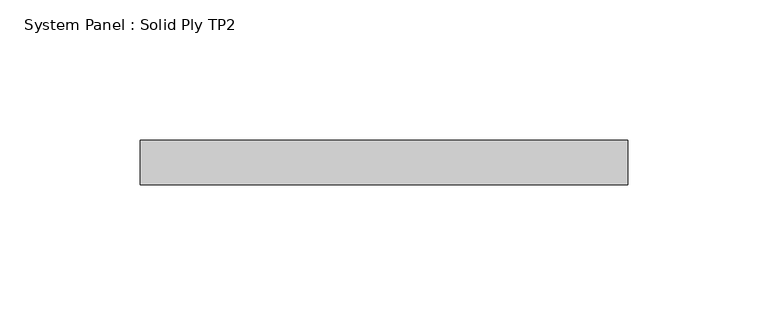
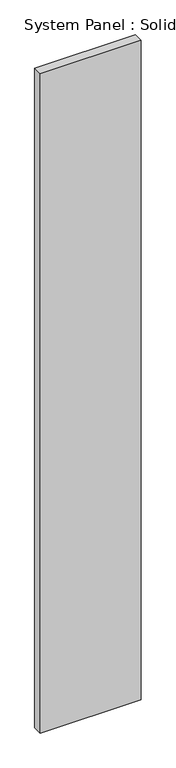
"""IFC4 building model written with IfcOpenShell, lengths in millimetres: plate geometry, System Panel : Solid Ply TP2."""

from ifc_helpers import new_model, si_unit, origin, origin_with_axes, place, context, project, spatial, polyline, outline, extrude, source, transform, mapped, element, save


def system_panel_solid_ply_tp2_f55d82e8(model_context):
    return source(origin(), model_context, "Body", "SweptSolid", [
        extrude(outline(polyline([(86.9948181, 7.0), (-86.9948181, 7.0), (-86.9948181, 23.0), (86.9948181, 23.0), (86.9948181, 7.0)])), origin_with_axes(), (0.0, 0.0, 1.0), 1200.0),
    ])


if __name__ == "__main__":
    model = new_model("IFC4")
    model_context = context("Model", 3, world=origin())
    ifc_project = project(units=[si_unit("LENGTHUNIT", "METRE", prefix="MILLI")], contexts=[model_context])
    site = spatial("IfcSite", under=ifc_project)
    building = spatial("IfcBuilding", under=site)
    placement = place(None, origin())
    system_panel_solid_ply_tp2_shape = system_panel_solid_ply_tp2_f55d82e8(model_context)
    element("IfcPlate", 1, ObjectType="System Panel : Solid Ply TP2", at=placement, inside=building, context=model_context, shape_type="MappedRepresentation", body=[
        mapped(system_panel_solid_ply_tp2_shape, transform((0.0, 0.0, 0.0), x_axis=(1.0, 0.0, 0.0), y_axis=(0.0, 1.0, 0.0), z_axis=(0.0, 0.0, 1.0))),
    ])
    save(model, "model.ifc")
